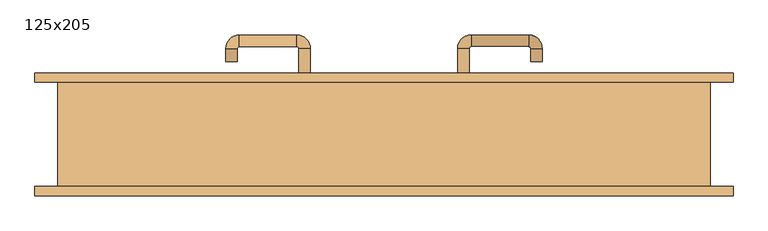
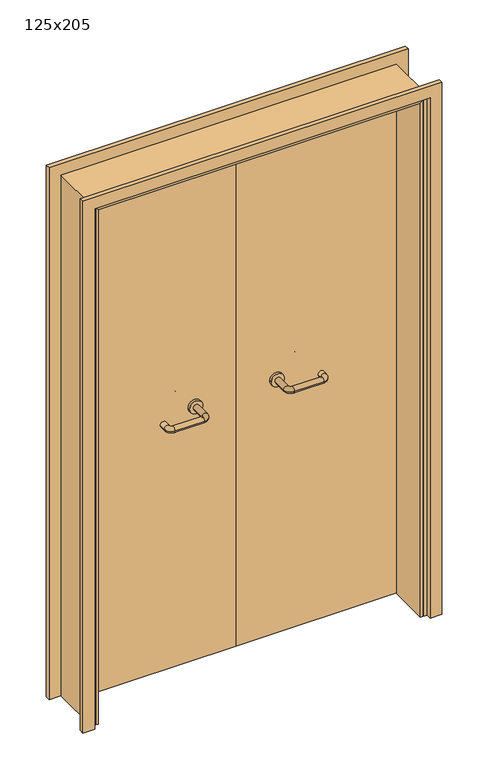
"""IFC4 building model written with IfcOpenShell, lengths in millimetres: door geometry, 125x205."""

import ifcopenshell
import ifcopenshell.guid

model = None  # the IFC model being written
_history = None  # IfcOwnerHistory: only IFC2X3 demands one
_inside = {}  # id of a spatial element -> (the spatial element, [elements in it])
_under = {}  # id of a project, library or spatial element -> (it, [spatial elements below it])
_declared = {}  # id of a project -> (the project, [libraries it declares])
_typed = {}  # id of a type object -> (the type object, [elements of that type])
_made_of = {}  # id of a material, layer set ... -> (it, [elements and type objects made of it])


def new_model(schema):
    """Start an empty IFC model of exactly this schema.

    Asked for "IFC4X3", IfcOpenShell would pick the latest addendum, in which some entities
    have other attributes; the version numbers below select the first issue.
    IFC2X3 requires an IfcOwnerHistory on every rooted entity: one is made here for all.
    """
    global model, _history
    if schema == "IFC4X3":
        model = ifcopenshell.file(schema_version=(4, 3, 0, 0))
    else:
        model = ifcopenshell.file(schema=schema)
    _inside.clear()
    _under.clear()
    _declared.clear()
    _typed.clear()
    _made_of.clear()
    _history = None
    if model.schema == "IFC2X3":
        org = make("IfcOrganization", Name="unknown")
        user = make(
            "IfcPersonAndOrganization",
            ThePerson=make("IfcPerson", FamilyName="unknown"),
            TheOrganization=org,
        )
        app = make(
            "IfcApplication",
            ApplicationDeveloper=org,
            Version="unknown",
            ApplicationFullName="unknown",
            ApplicationIdentifier="unknown",
        )
        _history = make(
            "IfcOwnerHistory",
            OwningUser=user,
            OwningApplication=app,
            ChangeAction="ADDED",
            CreationDate=0,
        )
    return model


def make(cls, **values):
    """One entity of the class cls with the attributes given. An attribute that is None is left unset."""
    return model.create_entity(
        cls, **{name: value for name, value in values.items() if value is not None}
    )


def rooted(cls, **values):
    """An entity with a GlobalId (a new one), such as an element, a storey or a relation."""
    return make(cls, GlobalId=ifcopenshell.guid.new(), OwnerHistory=_history, **values)


def si_unit(unit_type, name, prefix=None):
    """IfcSIUnit, for example si_unit("LENGTHUNIT", "METRE", prefix="MILLI")."""
    return make("IfcSIUnit", UnitType=unit_type, Prefix=prefix, Name=name)


def assignment(units):
    """IfcUnitAssignment: the units of a project."""
    return None if units is None else make("IfcUnitAssignment", Units=units)


def point(xyz):
    """IfcCartesianPoint."""
    return None if xyz is None else make("IfcCartesianPoint", Coordinates=xyz)


def direction(xyz):
    """IfcDirection."""
    return None if xyz is None else make("IfcDirection", DirectionRatios=xyz)


def frame(location, z_axis=None, x_axis=None):
    """IfcAxis2Placement3D, a coordinate frame: its origin and axes. An axis left out is left unset."""
    return make(
        "IfcAxis2Placement3D",
        Location=point(location),
        Axis=direction(z_axis),
        RefDirection=direction(x_axis),
    )


def frame_2d(location, x_axis=None):
    """IfcAxis2Placement2D, a coordinate frame in the plane: its origin and x axis."""
    return make(
        "IfcAxis2Placement2D", Location=point(location), RefDirection=direction(x_axis)
    )


def origin():
    """The frame at (0, 0, 0) with its axes left unset."""
    return frame((0.0, 0.0, 0.0))


def place(relative_to, where):
    """IfcLocalPlacement: puts the frame where relative to a parent placement (None: the world)."""
    return make(
        "IfcLocalPlacement", PlacementRelTo=relative_to, RelativePlacement=where
    )


def context(
    kind, dimensions, precision=None, world=None, true_north=None, identifier=None
):
    """IfcGeometricRepresentationContext, for example the 3D "Model" context."""
    return make(
        "IfcGeometricRepresentationContext",
        ContextIdentifier=identifier,
        ContextType=kind,
        CoordinateSpaceDimension=dimensions,
        Precision=precision,
        WorldCoordinateSystem=world,
        TrueNorth=true_north,
    )


def project(units=None, contexts=None):
    """IfcProject with its units and contexts."""
    return rooted(
        "IfcProject",
        Name="project",
        RepresentationContexts=contexts,
        UnitsInContext=assignment(units),
    )


def spatial(cls, under=None, at=None, **own):
    """A site, building, storey or space (cls), placed at a placement, below another one or the project."""
    s = rooted(cls, ObjectPlacement=at, **own)
    if under is not None:
        _under.setdefault(under.id(), (under, []))[1].append(s)
    return s


def polyline(points):
    """IfcPolyline through the points."""
    return make("IfcPolyline", Points=[point(p) for p in points])


def circle_curve(where, radius):
    """IfcCircle in the frame where."""
    return make("IfcCircle", Position=where, Radius=radius)


def ellipse_curve(where, semi_axis1, semi_axis2):
    """IfcEllipse in the frame where."""
    return make(
        "IfcEllipse", Position=where, SemiAxis1=semi_axis1, SemiAxis2=semi_axis2
    )


def trimmed(basis, trim1, trim2, sense, master):
    """IfcTrimmedCurve: the piece of a basis curve between two trims."""
    return make(
        "IfcTrimmedCurve",
        BasisCurve=basis,
        Trim1=trim1,
        Trim2=trim2,
        SenseAgreement=sense,
        MasterRepresentation=master,
    )


def segment(curve, same_sense, transition):
    """IfcCompositeCurveSegment."""
    return make(
        "IfcCompositeCurveSegment",
        Transition=transition,
        SameSense=same_sense,
        ParentCurve=curve,
    )


def composite_curve(segments, self_intersect=None):
    """IfcCompositeCurve: segments joined end to end."""
    return make("IfcCompositeCurve", Segments=segments, SelfIntersect=self_intersect)


def outline(outer, holes=None, kind="AREA"):
    """IfcArbitraryClosedProfileDef: a profile drawn as a closed curve; with holes, ...WithVoids."""
    if holes is None:
        return make("IfcArbitraryClosedProfileDef", ProfileType=kind, OuterCurve=outer)
    return make(
        "IfcArbitraryProfileDefWithVoids",
        ProfileType=kind,
        OuterCurve=outer,
        InnerCurves=holes,
    )


def extrude(swept, where, along, depth):
    """IfcExtrudedAreaSolid: the profile swept, set in the frame where, extruded along a direction by depth."""
    return make(
        "IfcExtrudedAreaSolid",
        SweptArea=swept,
        Position=where,
        ExtrudedDirection=direction(along),
        Depth=depth,
    )


def faces_of(points, faces, orient=None, outer=None):
    """IfcFace entities. A face is a list of loops; a loop is a list of indices into points, from 0.

    orient and outer hold one flag for each loop. By default every Orientation is true, the
    first loop of a face is its IfcFaceOuterBound and the others are IfcFaceBound.
    """
    made = []
    for i, loops in enumerate(faces):
        bounds = []
        for j, loop in enumerate(loops):
            is_outer = j == 0 if outer is None else outer[i][j]
            bounds.append(
                make(
                    "IfcFaceOuterBound" if is_outer else "IfcFaceBound",
                    Bound=make("IfcPolyLoop", Polygon=[points[k] for k in loop]),
                    Orientation=True if orient is None else orient[i][j],
                )
            )
        made.append(make("IfcFace", Bounds=bounds))
    return made


def faceted_brep(points, faces, orient=None, outer=None, voids=None):
    """IfcFacetedBrep: a solid bounded by flat faces; with voids (closed shells), ...WithVoids."""
    shared = [point(p) for p in points]
    hull = make("IfcClosedShell", CfsFaces=faces_of(shared, faces, orient, outer))
    if voids is None:
        return make("IfcFacetedBrep", Outer=hull)
    return make(
        "IfcFacetedBrepWithVoids",
        Outer=hull,
        Voids=[
            make(cls, CfsFaces=faces_of(shared, fs, o, b)) for cls, fs, o, b in voids
        ],
    )


def shape(context_of_items, identifier, shape_type, items):
    """IfcShapeRepresentation: the items that make up one representation, for example the "Body"."""
    return make(
        "IfcShapeRepresentation",
        ContextOfItems=context_of_items,
        RepresentationIdentifier=identifier,
        RepresentationType=shape_type,
        Items=items,
    )


def source(mapping_origin, context_of_items, identifier, shape_type, items):
    """IfcRepresentationMap: a shape defined once, which mapped items show again and again."""
    return make(
        "IfcRepresentationMap",
        MappingOrigin=mapping_origin,
        MappedRepresentation=shape(context_of_items, identifier, shape_type, items),
    )


def transform(
    local_origin,
    x_axis=None,
    y_axis=None,
    z_axis=None,
    scale=None,
    scale2=None,
    scale3=None,
    uniform=True,
):
    """IfcCartesianTransformationOperator3D, or its non-uniform kind. x_axis, y_axis, z_axis: its Axis1, 2, 3."""
    if uniform:
        return make(
            "IfcCartesianTransformationOperator3D",
            Axis1=direction(x_axis),
            Axis2=direction(y_axis),
            LocalOrigin=point(local_origin),
            Scale=scale,
            Axis3=direction(z_axis),
        )
    return make(
        "IfcCartesianTransformationOperator3DnonUniform",
        Axis1=direction(x_axis),
        Axis2=direction(y_axis),
        LocalOrigin=point(local_origin),
        Scale=scale,
        Axis3=direction(z_axis),
        Scale2=scale2,
        Scale3=scale3,
    )


def mapped(mapping_source, mapping_target):
    """IfcMappedItem: shows the shape of a source again, moved by a transform."""
    return make(
        "IfcMappedItem", MappingSource=mapping_source, MappingTarget=mapping_target
    )


def made_of(thing, what):
    """Note that an element or type object is made of a material, layer set ...; save() writes the relation."""
    if what is not None:
        _made_of.setdefault(what.id(), (what, []))[1].append(thing)
    return thing


def element(
    cls,
    number,
    at=None,
    inside=None,
    cuts=None,
    type_object=None,
    material=None,
    context=None,
    identifier="Body",
    shape_type=None,
    held_by="IfcProductDefinitionShape",
    body=None,
    shapes=None,
    **own,
):
    """One element of the class cls, such as IfcWall. Its Tag is "e" and its number.

    at: its placement. inside: the storey or other place that contains it. cuts: it is an
    opening in that element (IfcRelVoidsElement). A single representation is given by context,
    identifier, shape_type and body (its items); several are given by shapes. held_by: the class
    of the entity that holds the representations. save() writes the other relations.
    """
    e = rooted(cls, Tag="e%d" % number, ObjectPlacement=at, **own)
    if body is not None:
        shapes = [shape(context, identifier, shape_type, body)]
    if shapes is not None:
        e.Representation = make(held_by, Representations=shapes)
    if inside is not None:
        _inside.setdefault(inside.id(), (inside, []))[1].append(e)
    if cuts is not None:
        rooted(
            "IfcRelVoidsElement", RelatingBuildingElement=cuts, RelatedOpeningElement=e
        )
    if type_object is not None:
        _typed.setdefault(type_object.id(), (type_object, []))[1].append(e)
    return made_of(e, material)


def aggregate(whole, parts):
    """IfcRelAggregates: a whole, such as a stair, and the parts it consists of."""
    return rooted("IfcRelAggregates", RelatingObject=whole, RelatedObjects=parts)


def save(model, path):
    """Write the relations noted so far, then the file.

    IfcRelAggregates (storeys below a building ...), IfcRelContainedInSpatialStructure (elements
    in a storey), IfcRelDefinesByType, IfcRelAssociatesMaterial and IfcRelDeclares: one each for
    every whole, place, type object, material and project.
    """
    for whole, parts in _under.values():
        aggregate(whole, parts)
    for where, things in _inside.values():
        rooted(
            "IfcRelContainedInSpatialStructure",
            RelatedElements=things,
            RelatingStructure=where,
        )
    for kind, things in _typed.values():
        rooted("IfcRelDefinesByType", RelatedObjects=things, RelatingType=kind)
    for what, things in _made_of.values():
        rooted("IfcRelAssociatesMaterial", RelatedObjects=things, RelatingMaterial=what)
    for by, libraries in _declared.values():
        rooted("IfcRelDeclares", RelatingContext=by, RelatedDefinitions=libraries)
    model.write(path)


def plane_surface(at):
    """IfcPlane: the flat surface through the origin of the frame at, square to its z axis."""
    return make("IfcPlane", Position=at)


def cylinder_surface(at, radius):
    """IfcCylindricalSurface: all points at the distance radius from the z axis of the frame at."""
    return make("IfcCylindricalSurface", Position=at, Radius=radius)


def revolved_surface(curve, axis_point, axis_direction):
    """IfcSurfaceOfRevolution: the curve turned about the line through axis_point along axis_direction."""
    return make(
        "IfcSurfaceOfRevolution",
        SweptCurve=make("IfcArbitraryOpenProfileDef", ProfileType="CURVE", Curve=curve),
        AxisPosition=make("IfcAxis1Placement", Location=point(axis_point), Axis=direction(axis_direction)),
    )


def advanced_brep(points, edges, surfaces, faces):
    """IfcAdvancedBrep: a solid bounded by faces that lie on surfaces and meet in shared edges.

    An edge is (start, end): straight between two places in points (the first is 0);
    or (start, end, curve); or (start, end, curve, False) where it runs against its curve.
    A face is (place in surfaces, loops), or (place, loops, False) where it looks against
    its surface's normal. A loop lists edges by number (the first is 1), with a minus sign
    where the edge is run from its end to its start. The first loop is the outer one.
    """
    corners = [point(p) for p in points]
    vertices = [make("IfcVertexPoint", VertexGeometry=c) for c in corners]
    made = []
    for start, end, *more in edges:
        made.append(
            make(
                "IfcEdgeCurve",
                EdgeStart=vertices[start],
                EdgeEnd=vertices[end],
                EdgeGeometry=more[0] if more else make("IfcPolyline", Points=[corners[start], corners[end]]),
                SameSense=more[1] if len(more) > 1 else True,
            )
        )
    hull = []
    for where, loops, *sense in faces:
        bounds = []
        for j, loop in enumerate(loops):
            ring = [make("IfcOrientedEdge", EdgeElement=made[abs(k) - 1], Orientation=k > 0) for k in loop]
            bounds.append(
                make(
                    "IfcFaceOuterBound" if j == 0 else "IfcFaceBound",
                    Bound=make("IfcEdgeLoop", EdgeList=ring),
                    Orientation=True,
                )
            )
        hull.append(make("IfcAdvancedFace", Bounds=bounds, FaceSurface=surfaces[where], SameSense=sense[0] if sense else True))
    return make("IfcAdvancedBrep", Outer=make("IfcClosedShell", CfsFaces=hull))


def door_125x205_fe8683f0(model_context):
    return source(origin(), model_context, "Body", "SolidModel", [
        faceted_brep([(-600.0, 53.0, 0.0), (-600.0, -99.0, 0.0), (-610.0, -99.0, 0.0), (-610.0, 53.0, 0.0), (-600.0, 53.0, 2025.0), (-600.0, -99.0, 2025.0), (-610.0, -99.0, 2035.0), (-610.0, 53.0, 2035.0), (600.0, 53.0, 0.0), (610.0, 53.0, 0.0), (610.0, -99.0, 0.0), (600.0, -99.0, 0.0), (600.0, 53.0, 2025.0), (610.0, 53.0, 2035.0), (610.0, -99.0, 2035.0), (600.0, -99.0, 2025.0)], [[[0, 1, 2, 3]], [[1, 0, 4, 5]], [[2, 1, 5, 6]], [[3, 2, 6, 7]], [[0, 3, 7, 4]], [[8, 9, 10, 11]], [[12, 13, 9, 8]], [[13, 14, 10, 9]], [[14, 15, 11, 10]], [[15, 12, 8, 11]], [[5, 4, 12, 15]], [[6, 5, 15, 14]], [[7, 6, 14, 13]], [[4, 7, 13, 12]]]),
        extrude(outline(polyline([(2094.0, 669.0), (2094.0, -669.0), (0.0, -669.0), (0.0, -625.0), (2050.0, -625.0), (2050.0, 625.0), (0.0, 625.0), (0.0, 669.0), (2094.0, 669.0)])), frame((0.0, 100.0, 0.0), z_axis=(0.0, 1.0, 0.0), x_axis=(0.0, 0.0, 1.0)), (0.0, 0.0, 1.0), 18.0),
        extrude(outline(polyline([(2094.0, -669.0), (0.0, -669.0), (0.0, -625.0), (2050.0, -625.0), (2050.0, 625.0), (0.0, 625.0), (0.0, 669.0), (2094.0, 669.0), (2094.0, -669.0)])), frame((0.0, -118.0, 0.0), z_axis=(0.0, 1.0, 0.0), x_axis=(0.0, 0.0, 1.0)), (0.0, 0.0, 1.0), 18.0),
        extrude(outline(polyline([(2050.0, -625.0), (0.0, -625.0), (0.0, -610.0), (2035.0, -610.0), (2035.0, 610.0), (0.0, 610.0), (0.0, 625.0), (2050.0, 625.0), (2050.0, -625.0)])), frame((0.0, -99.0, 0.0), z_axis=(0.0, 1.0, 0.0), x_axis=(0.0, 0.0, 1.0)), (0.0, 0.0, 1.0), 199.0),
        advanced_brep(
        [(140.99898, 46.0, 1003.0), (162.99898, 46.0, 1003.0), (140.99898, -9.3525369, 1003.0), (162.99898, -9.3525369, 1003.0), (166.99898, -13.3525369, 1003.0), (166.99898, -35.3525369, 1003.0), (276.99898, -35.3525369, 1003.0), (276.99898, -13.3525369, 1003.0), (280.99898, -9.3525369, 1003.0), (302.99898, -9.3525369, 1003.0), (302.99898, 8.0, 1003.0), (280.99898, 8.0, 1003.0)],
        [
            (0, 1, circle_curve(frame((151.99898, 46.0, 1003.0), z_axis=(0.0, 1.0, 0.0), x_axis=(1.0, 0.0, 0.0)), 11.0)),
            (1, 0, circle_curve(frame((151.99898, 46.0, 1003.0), z_axis=(0.0, 1.0, 0.0), x_axis=(1.0, 0.0, 0.0)), 11.0)),
            (0, 2),
            (2, 3, circle_curve(frame((151.99898, -9.3525369, 1003.0), z_axis=(0.0, 1.0, 0.0), x_axis=(1.0, 0.0, 0.0)), 11.0)),
            (3, 1),
            (3, 2, circle_curve(frame((151.99898, -9.3525369, 1003.0), z_axis=(0.0, 1.0, 0.0), x_axis=(1.0, 0.0, 0.0)), 11.0)),
            (4, 3, circle_curve(frame((166.99898, -9.3525369, 1003.0), z_axis=(0.0, 0.0, -1.0), x_axis=(-1.0, 0.0, 0.0)), 4.0)),
            (2, 5, circle_curve(frame((166.99898, -9.3525369, 1003.0), z_axis=(0.0, 0.0, 1.0), x_axis=(-1.0, 0.0, 0.0)), 26.0)),
            (5, 4, circle_curve(frame((166.99898, -24.3525369, 1003.0), z_axis=(-1.0, 0.0, 0.0), x_axis=(0.0, 1.0, 0.0)), 11.0)),
            (4, 5, circle_curve(frame((166.99898, -24.3525369, 1003.0), z_axis=(-1.0, 0.0, 0.0), x_axis=(0.0, 1.0, 0.0)), 11.0)),
            (5, 6),
            (6, 7, circle_curve(frame((276.99898, -24.3525369, 1003.0), z_axis=(-1.0, 0.0, 0.0), x_axis=(0.0, 1.0, 0.0)), 11.0)),
            (7, 4),
            (7, 6, circle_curve(frame((276.99898, -24.3525369, 1003.0), z_axis=(-1.0, 0.0, 0.0), x_axis=(0.0, 1.0, 0.0)), 11.0)),
            (8, 7, circle_curve(frame((276.99898, -9.3525369, 1003.0), z_axis=(0.0, 0.0, -1.0), x_axis=(0.0, -1.0, 0.0)), 4.0)),
            (6, 9, circle_curve(frame((276.99898, -9.3525369, 1003.0), z_axis=(0.0, 0.0, 1.0), x_axis=(0.0, -1.0, 0.0)), 26.0)),
            (9, 8, circle_curve(frame((291.99898, -9.3525369, 1003.0), z_axis=(0.0, -1.0, 0.0), x_axis=(-1.0, 0.0, 0.0)), 11.0)),
            (8, 9, circle_curve(frame((291.99898, -9.3525369, 1003.0), z_axis=(0.0, -1.0, 0.0), x_axis=(-1.0, 0.0, 0.0)), 11.0)),
            (10, 11, circle_curve(frame((291.99898, 8.0, 1003.0), z_axis=(0.0, 1.0, 0.0), x_axis=(-1.0, 0.0, 0.0)), 11.0)),
            (11, 10, circle_curve(frame((291.99898, 8.0, 1003.0), z_axis=(0.0, 1.0, 0.0), x_axis=(-1.0, 0.0, 0.0)), 11.0)),
            (9, 10),
            (11, 8),
        ],
        [
            plane_surface(frame((140.99898, 46.0, 1003.0), z_axis=(0.0, 1.0, 0.0), x_axis=(0.0, 0.0, -1.0))),
            cylinder_surface(frame((151.99898, 46.0, 1003.0), z_axis=(0.0, 1.0, 0.0), x_axis=(1.0, 0.0, 0.0)), 11.0),
            revolved_surface(trimmed(ellipse_curve(frame((151.99898, -9.3525369, 1003.0), z_axis=(0.0, 1.0, 0.0), x_axis=(1.0, 0.0, 0.0)), 11.0, 11.0), [point((140.99898, -9.3525369, 1003.0))], [point((162.99898, -9.3525369, 1003.0))], True, "CARTESIAN"), (166.99898, -9.3525369, 1003.0), (0.0, 0.0, 1.0)),
            revolved_surface(trimmed(ellipse_curve(frame((151.99898, -9.3525369, 1003.0), z_axis=(0.0, 1.0, 0.0), x_axis=(1.0, 0.0, 0.0)), 11.0, 11.0), [point((162.99898, -9.3525369, 1003.0))], [point((140.99898, -9.3525369, 1003.0))], True, "CARTESIAN"), (166.99898, -9.3525369, 1003.0), (0.0, 0.0, 1.0)),
            cylinder_surface(frame((166.99898, -24.3525369, 1003.0), z_axis=(-1.0, 0.0, 0.0), x_axis=(0.0, 1.0, 0.0)), 11.0),
            revolved_surface(trimmed(ellipse_curve(frame((276.99898, -24.3525369, 1003.0), z_axis=(-1.0, 0.0, 0.0), x_axis=(0.0, 1.0, 0.0)), 11.0, 11.0), [point((276.99898, -35.3525369, 1003.0))], [point((276.99898, -13.3525369, 1003.0))], True, "CARTESIAN"), (276.99898, -9.3525369, 1003.0), (0.0, 0.0, 1.0)),
            revolved_surface(trimmed(ellipse_curve(frame((276.99898, -24.3525369, 1003.0), z_axis=(-1.0, 0.0, 0.0), x_axis=(0.0, 1.0, 0.0)), 11.0, 11.0), [point((276.99898, -13.3525369, 1003.0))], [point((276.99898, -35.3525369, 1003.0))], True, "CARTESIAN"), (276.99898, -9.3525369, 1003.0), (0.0, 0.0, 1.0)),
            plane_surface(frame((280.99898, 8.0, 1003.0), z_axis=(0.0, 1.0, 0.0), x_axis=(0.0, 0.0, 1.0))),
            cylinder_surface(frame((291.99898, -9.3525369, 1003.0), z_axis=(0.0, -1.0, 0.0), x_axis=(-1.0, 0.0, 0.0)), 11.0),
        ],
        [
            (0, [[1, 2]]),
            (1, [[-1, 3, 4, 5]]),
            (1, [[-2, -5, 6, -3]]),
            (2, [[7, -4, 8, 9]]),
            (3, [[-8, -6, -7, 10]]),
            (4, [[-9, 11, 12, 13]]),
            (4, [[-10, -13, 14, -11]]),
            (5, [[15, -12, 16, 17]]),
            (6, [[-16, -14, -15, 18]]),
            (7, [[19, 20]]),
            (8, [[-17, 21, -20, 22]]),
            (8, [[-18, -22, -19, -21]]),
        ],
    ),
        extrude(outline(composite_curve([segment(trimmed(circle_curve(frame_2d((1003.0, 151.99898)), 25.0), [point((1003.0, 126.99898))], [point((1003.0, 176.99898))], False, "CARTESIAN"), True, "CONTINUOUS"), segment(trimmed(circle_curve(frame_2d((1003.0, 151.99898)), 25.0), [point((1003.0, 176.99898))], [point((1003.0, 126.99898))], False, "CARTESIAN"), True, "CONTINUOUS")], self_intersect=False)), frame((0.0, 46.0, 0.0), z_axis=(0.0, 1.0, 0.0), x_axis=(0.0, 0.0, 1.0)), (0.0, 0.0, 1.0), 10.0),
        advanced_brep(
        [(162.99898, 110.0, 1003.0), (140.99898, 110.0, 1003.0), (162.99898, 165.0, 1003.0), (140.99898, 165.0, 1003.0), (166.99898, 191.0, 1003.0), (166.99898, 169.0, 1003.0), (276.99898, 169.0, 1003.0), (276.99898, 191.0, 1003.0), (302.99898, 165.0, 1003.0), (280.99898, 165.0, 1003.0), (280.99898, 140.0, 1003.0), (302.99898, 140.0, 1003.0)],
        [
            (0, 1, circle_curve(frame((151.99898, 110.0, 1003.0), z_axis=(0.0, -1.0, 0.0), x_axis=(-1.0, 0.0, 0.0)), 11.0)),
            (1, 0, circle_curve(frame((151.99898, 110.0, 1003.0), z_axis=(0.0, -1.0, 0.0), x_axis=(-1.0, 0.0, 0.0)), 11.0)),
            (0, 2),
            (2, 3, circle_curve(frame((151.99898, 165.0, 1003.0), z_axis=(0.0, -1.0, 0.0), x_axis=(-1.0, 0.0, 0.0)), 11.0)),
            (3, 1),
            (3, 2, circle_curve(frame((151.99898, 165.0, 1003.0), z_axis=(0.0, -1.0, 0.0), x_axis=(-1.0, 0.0, 0.0)), 11.0)),
            (4, 3, circle_curve(frame((166.99898, 165.0, 1003.0), z_axis=(0.0, 0.0, 1.0), x_axis=(-1.0, 0.0, 0.0)), 26.0)),
            (2, 5, circle_curve(frame((166.99898, 165.0, 1003.0), z_axis=(0.0, 0.0, -1.0), x_axis=(-1.0, 0.0, 0.0)), 4.0)),
            (5, 4, circle_curve(frame((166.99898, 180.0, 1003.0), z_axis=(-1.0, 0.0, 0.0), x_axis=(0.0, 1.0, 0.0)), 11.0)),
            (4, 5, circle_curve(frame((166.99898, 180.0, 1003.0), z_axis=(-1.0, 0.0, 0.0), x_axis=(0.0, 1.0, 0.0)), 11.0)),
            (5, 6),
            (6, 7, circle_curve(frame((276.99898, 180.0, 1003.0), z_axis=(-1.0, 0.0, 0.0), x_axis=(0.0, 1.0, 0.0)), 11.0)),
            (7, 4),
            (7, 6, circle_curve(frame((276.99898, 180.0, 1003.0), z_axis=(-1.0, 0.0, 0.0), x_axis=(0.0, 1.0, 0.0)), 11.0)),
            (8, 7, circle_curve(frame((276.99898, 165.0, 1003.0), z_axis=(0.0, 0.0, 1.0), x_axis=(0.0, 1.0, 0.0)), 26.0)),
            (6, 9, circle_curve(frame((276.99898, 165.0, 1003.0), z_axis=(0.0, 0.0, -1.0), x_axis=(0.0, 1.0, 0.0)), 4.0)),
            (9, 8, circle_curve(frame((291.99898, 165.0, 1003.0), z_axis=(0.0, 1.0, 0.0), x_axis=(1.0, 0.0, 0.0)), 11.0)),
            (8, 9, circle_curve(frame((291.99898, 165.0, 1003.0), z_axis=(0.0, 1.0, 0.0), x_axis=(1.0, 0.0, 0.0)), 11.0)),
            (10, 11, circle_curve(frame((291.99898, 140.0, 1003.0), z_axis=(0.0, -1.0, 0.0), x_axis=(1.0, 0.0, 0.0)), 11.0)),
            (11, 10, circle_curve(frame((291.99898, 140.0, 1003.0), z_axis=(0.0, -1.0, 0.0), x_axis=(1.0, 0.0, 0.0)), 11.0)),
            (9, 10),
            (11, 8),
        ],
        [
            plane_surface(frame((140.99898, 110.0, 1003.0), z_axis=(0.0, -1.0, 0.0), x_axis=(0.0, 0.0, 1.0))),
            cylinder_surface(frame((151.99898, 110.0, 1003.0), z_axis=(0.0, -1.0, 0.0), x_axis=(-1.0, 0.0, 0.0)), 11.0),
            revolved_surface(trimmed(ellipse_curve(frame((151.99898, 165.0, 1003.0), z_axis=(0.0, -1.0, 0.0), x_axis=(-1.0, 0.0, 0.0)), 11.0, 11.0), [point((162.99898, 165.0, 1003.0))], [point((140.99898, 165.0, 1003.0))], True, "CARTESIAN"), (166.99898, 165.0, 1003.0), (0.0, 0.0, -1.0)),
            revolved_surface(trimmed(ellipse_curve(frame((151.99898, 165.0, 1003.0), z_axis=(0.0, -1.0, 0.0), x_axis=(-1.0, 0.0, 0.0)), 11.0, 11.0), [point((140.99898, 165.0, 1003.0))], [point((162.99898, 165.0, 1003.0))], True, "CARTESIAN"), (166.99898, 165.0, 1003.0), (0.0, 0.0, -1.0)),
            cylinder_surface(frame((166.99898, 180.0, 1003.0), z_axis=(-1.0, 0.0, 0.0), x_axis=(0.0, 1.0, 0.0)), 11.0),
            revolved_surface(trimmed(ellipse_curve(frame((276.99898, 180.0, 1003.0), z_axis=(-1.0, 0.0, 0.0), x_axis=(0.0, 1.0, 0.0)), 11.0, 11.0), [point((276.99898, 169.0, 1003.0))], [point((276.99898, 191.0, 1003.0))], True, "CARTESIAN"), (276.99898, 165.0, 1003.0), (0.0, 0.0, -1.0)),
            revolved_surface(trimmed(ellipse_curve(frame((276.99898, 180.0, 1003.0), z_axis=(-1.0, 0.0, 0.0), x_axis=(0.0, 1.0, 0.0)), 11.0, 11.0), [point((276.99898, 191.0, 1003.0))], [point((276.99898, 169.0, 1003.0))], True, "CARTESIAN"), (276.99898, 165.0, 1003.0), (0.0, 0.0, -1.0)),
            plane_surface(frame((280.99898, 140.0, 1003.0), z_axis=(0.0, -1.0, 0.0), x_axis=(0.0, 0.0, -1.0))),
            cylinder_surface(frame((291.99898, 165.0, 1003.0), z_axis=(0.0, 1.0, 0.0), x_axis=(1.0, 0.0, 0.0)), 11.0),
        ],
        [
            (0, [[1, 2]]),
            (1, [[-1, 3, 4, 5]]),
            (1, [[-2, -5, 6, -3]]),
            (2, [[7, -4, 8, 9]]),
            (3, [[-8, -6, -7, 10]]),
            (4, [[-9, 11, 12, 13]]),
            (4, [[-10, -13, 14, -11]]),
            (5, [[15, -12, 16, 17]]),
            (6, [[-16, -14, -15, 18]]),
            (7, [[19, 20]]),
            (8, [[-17, 21, -20, 22]]),
            (8, [[-18, -22, -19, -21]]),
        ],
    ),
        extrude(outline(composite_curve([segment(trimmed(circle_curve(frame_2d((1003.0, 151.99898)), 25.0), [point((1003.0, 176.99898))], [point((1003.0, 126.99898))], False, "CARTESIAN"), True, "CONTINUOUS"), segment(trimmed(circle_curve(frame_2d((1003.0, 151.99898)), 25.0), [point((1003.0, 126.99898))], [point((1003.0, 176.99898))], False, "CARTESIAN"), True, "CONTINUOUS")], self_intersect=False)), frame((0.0, 100.0, 0.0), z_axis=(0.0, 1.0, 0.0), x_axis=(0.0, 0.0, 1.0)), (0.0, 0.0, 1.0), 10.0),
        advanced_brep(
        [(-162.99898, 45.6886121, 1003.0), (-140.99898, 45.6886121, 1003.0), (-162.99898, -9.7220447, 1003.0), (-140.99898, -9.7220447, 1003.0), (-166.99898, -35.7220447, 1003.0), (-166.99898, -13.7220447, 1003.0), (-276.99898, -13.7220447, 1003.0), (-276.99898, -35.7220447, 1003.0), (-302.99898, -9.7220447, 1003.0), (-280.99898, -9.7220447, 1003.0), (-280.99898, 15.2779553, 1003.0), (-302.99898, 15.2779553, 1003.0)],
        [
            (0, 1, circle_curve(frame((-151.99898, 45.6886121, 1003.0), z_axis=(0.0, 1.0, 0.0), x_axis=(1.0, 0.0, 0.0)), 11.0)),
            (1, 0, circle_curve(frame((-151.99898, 45.6886121, 1003.0), z_axis=(0.0, 1.0, 0.0), x_axis=(1.0, 0.0, 0.0)), 11.0)),
            (0, 2),
            (2, 3, circle_curve(frame((-151.99898, -9.7220447, 1003.0), z_axis=(0.0, 1.0, 0.0), x_axis=(1.0, 0.0, 0.0)), 11.0)),
            (3, 1),
            (3, 2, circle_curve(frame((-151.99898, -9.7220447, 1003.0), z_axis=(0.0, 1.0, 0.0), x_axis=(1.0, 0.0, 0.0)), 11.0)),
            (4, 3, circle_curve(frame((-166.99898, -9.7220447, 1003.0), z_axis=(0.0, 0.0, 1.0), x_axis=(1.0, 0.0, 0.0)), 26.0)),
            (2, 5, circle_curve(frame((-166.99898, -9.7220447, 1003.0), z_axis=(0.0, 0.0, -1.0), x_axis=(1.0, 0.0, 0.0)), 4.0)),
            (5, 4, circle_curve(frame((-166.99898, -24.7220447, 1003.0), z_axis=(1.0, 0.0, 0.0), x_axis=(0.0, -1.0, 0.0)), 11.0)),
            (4, 5, circle_curve(frame((-166.99898, -24.7220447, 1003.0), z_axis=(1.0, 0.0, 0.0), x_axis=(0.0, -1.0, 0.0)), 11.0)),
            (5, 6),
            (6, 7, circle_curve(frame((-276.99898, -24.7220447, 1003.0), z_axis=(1.0, 0.0, 0.0), x_axis=(0.0, -1.0, 0.0)), 11.0)),
            (7, 4),
            (7, 6, circle_curve(frame((-276.99898, -24.7220447, 1003.0), z_axis=(1.0, 0.0, 0.0), x_axis=(0.0, -1.0, 0.0)), 11.0)),
            (8, 7, circle_curve(frame((-276.99898, -9.7220447, 1003.0), z_axis=(0.0, 0.0, 1.0), x_axis=(0.0, -1.0, 0.0)), 26.0)),
            (6, 9, circle_curve(frame((-276.99898, -9.7220447, 1003.0), z_axis=(0.0, 0.0, -1.0), x_axis=(0.0, -1.0, 0.0)), 4.0)),
            (9, 8, circle_curve(frame((-291.99898, -9.7220447, 1003.0), z_axis=(0.0, -1.0, 0.0), x_axis=(-1.0, 0.0, 0.0)), 11.0)),
            (8, 9, circle_curve(frame((-291.99898, -9.7220447, 1003.0), z_axis=(0.0, -1.0, 0.0), x_axis=(-1.0, 0.0, 0.0)), 11.0)),
            (10, 11, circle_curve(frame((-291.99898, 15.2779553, 1003.0), z_axis=(0.0, 1.0, 0.0), x_axis=(-1.0, 0.0, 0.0)), 11.0)),
            (11, 10, circle_curve(frame((-291.99898, 15.2779553, 1003.0), z_axis=(0.0, 1.0, 0.0), x_axis=(-1.0, 0.0, 0.0)), 11.0)),
            (9, 10),
            (11, 8),
        ],
        [
            plane_surface(frame((-162.99898, 45.6886121, 1003.0), z_axis=(0.0, 1.0, 0.0), x_axis=(0.0, 0.0, -1.0))),
            cylinder_surface(frame((-151.99898, 45.6886121, 1003.0), z_axis=(0.0, 1.0, 0.0), x_axis=(1.0, 0.0, 0.0)), 11.0),
            revolved_surface(trimmed(ellipse_curve(frame((-151.99898, -9.7220447, 1003.0), z_axis=(0.0, 1.0, 0.0), x_axis=(1.0, 0.0, 0.0)), 11.0, 11.0), [point((-162.99898, -9.7220447, 1003.0))], [point((-140.99898, -9.7220447, 1003.0))], True, "CARTESIAN"), (-166.99898, -9.7220447, 1003.0), (0.0, 0.0, -1.0)),
            revolved_surface(trimmed(ellipse_curve(frame((-151.99898, -9.7220447, 1003.0), z_axis=(0.0, 1.0, 0.0), x_axis=(1.0, 0.0, 0.0)), 11.0, 11.0), [point((-140.99898, -9.7220447, 1003.0))], [point((-162.99898, -9.7220447, 1003.0))], True, "CARTESIAN"), (-166.99898, -9.7220447, 1003.0), (0.0, 0.0, -1.0)),
            cylinder_surface(frame((-166.99898, -24.7220447, 1003.0), z_axis=(1.0, 0.0, 0.0), x_axis=(0.0, -1.0, 0.0)), 11.0),
            revolved_surface(trimmed(ellipse_curve(frame((-276.99898, -24.7220447, 1003.0), z_axis=(1.0, 0.0, 0.0), x_axis=(0.0, -1.0, 0.0)), 11.0, 11.0), [point((-276.99898, -13.7220447, 1003.0))], [point((-276.99898, -35.7220447, 1003.0))], True, "CARTESIAN"), (-276.99898, -9.7220447, 1003.0), (0.0, 0.0, -1.0)),
            revolved_surface(trimmed(ellipse_curve(frame((-276.99898, -24.7220447, 1003.0), z_axis=(1.0, 0.0, 0.0), x_axis=(0.0, -1.0, 0.0)), 11.0, 11.0), [point((-276.99898, -35.7220447, 1003.0))], [point((-276.99898, -13.7220447, 1003.0))], True, "CARTESIAN"), (-276.99898, -9.7220447, 1003.0), (0.0, 0.0, -1.0)),
            plane_surface(frame((-302.99898, 15.2779553, 1003.0), z_axis=(0.0, 1.0, 0.0), x_axis=(0.0, 0.0, 1.0))),
            cylinder_surface(frame((-291.99898, -9.7220447, 1003.0), z_axis=(0.0, -1.0, 0.0), x_axis=(-1.0, 0.0, 0.0)), 11.0),
        ],
        [
            (0, [[1, 2]]),
            (1, [[-1, 3, 4, 5]]),
            (1, [[-2, -5, 6, -3]]),
            (2, [[7, -4, 8, 9]]),
            (3, [[-8, -6, -7, 10]]),
            (4, [[-9, 11, 12, 13]]),
            (4, [[-10, -13, 14, -11]]),
            (5, [[15, -12, 16, 17]]),
            (6, [[-16, -14, -15, 18]]),
            (7, [[19, 20]]),
            (8, [[-17, 21, -20, 22]]),
            (8, [[-18, -22, -19, -21]]),
        ],
    ),
        extrude(outline(composite_curve([segment(trimmed(circle_curve(frame_2d((1003.0, -151.99898)), 25.0), [point((1003.0, -176.99898))], [point((1003.0, -126.99898))], False, "CARTESIAN"), True, "CONTINUOUS"), segment(trimmed(circle_curve(frame_2d((1003.0, -151.99898)), 25.0), [point((1003.0, -126.99898))], [point((1003.0, -176.99898))], False, "CARTESIAN"), True, "CONTINUOUS")], self_intersect=False)), frame((0.0, 45.6886121, 0.0), z_axis=(0.0, 1.0, 0.0), x_axis=(0.0, 0.0, 1.0)), (0.0, 0.0, 1.0), 10.3113879),
        advanced_brep(
        [(-140.99898, 109.5143417, 1003.0), (-162.99898, 109.5143417, 1003.0), (-140.99898, 164.6104656, 1003.0), (-162.99898, 164.6104656, 1003.0), (-166.99898, 168.6104656, 1003.0), (-166.99898, 190.6104656, 1003.0), (-276.99898, 190.6104656, 1003.0), (-276.99898, 168.6104656, 1003.0), (-280.99898, 164.6104656, 1003.0), (-302.99898, 164.6104656, 1003.0), (-302.99898, 139.6104656, 1003.0), (-280.99898, 139.6104656, 1003.0)],
        [
            (0, 1, circle_curve(frame((-151.99898, 109.5143417, 1003.0), z_axis=(0.0, -1.0, 0.0), x_axis=(-1.0, 0.0, 0.0)), 11.0)),
            (1, 0, circle_curve(frame((-151.99898, 109.5143417, 1003.0), z_axis=(0.0, -1.0, 0.0), x_axis=(-1.0, 0.0, 0.0)), 11.0)),
            (0, 2),
            (2, 3, circle_curve(frame((-151.99898, 164.6104656, 1003.0), z_axis=(0.0, -1.0, 0.0), x_axis=(-1.0, 0.0, 0.0)), 11.0)),
            (3, 1),
            (3, 2, circle_curve(frame((-151.99898, 164.6104656, 1003.0), z_axis=(0.0, -1.0, 0.0), x_axis=(-1.0, 0.0, 0.0)), 11.0)),
            (4, 3, circle_curve(frame((-166.99898, 164.6104656, 1003.0), z_axis=(0.0, 0.0, -1.0), x_axis=(1.0, 0.0, 0.0)), 4.0)),
            (2, 5, circle_curve(frame((-166.99898, 164.6104656, 1003.0), z_axis=(0.0, 0.0, 1.0), x_axis=(1.0, 0.0, 0.0)), 26.0)),
            (5, 4, circle_curve(frame((-166.99898, 179.6104656, 1003.0), z_axis=(1.0, 0.0, 0.0), x_axis=(0.0, -1.0, 0.0)), 11.0)),
            (4, 5, circle_curve(frame((-166.99898, 179.6104656, 1003.0), z_axis=(1.0, 0.0, 0.0), x_axis=(0.0, -1.0, 0.0)), 11.0)),
            (5, 6),
            (6, 7, circle_curve(frame((-276.99898, 179.6104656, 1003.0), z_axis=(1.0, 0.0, 0.0), x_axis=(0.0, -1.0, 0.0)), 11.0)),
            (7, 4),
            (7, 6, circle_curve(frame((-276.99898, 179.6104656, 1003.0), z_axis=(1.0, 0.0, 0.0), x_axis=(0.0, -1.0, 0.0)), 11.0)),
            (8, 7, circle_curve(frame((-276.99898, 164.6104656, 1003.0), z_axis=(0.0, 0.0, -1.0), x_axis=(0.0, 1.0, 0.0)), 4.0)),
            (6, 9, circle_curve(frame((-276.99898, 164.6104656, 1003.0), z_axis=(0.0, 0.0, 1.0), x_axis=(0.0, 1.0, 0.0)), 26.0)),
            (9, 8, circle_curve(frame((-291.99898, 164.6104656, 1003.0), z_axis=(0.0, 1.0, 0.0), x_axis=(1.0, 0.0, 0.0)), 11.0)),
            (8, 9, circle_curve(frame((-291.99898, 164.6104656, 1003.0), z_axis=(0.0, 1.0, 0.0), x_axis=(1.0, 0.0, 0.0)), 11.0)),
            (10, 11, circle_curve(frame((-291.99898, 139.6104656, 1003.0), z_axis=(0.0, -1.0, 0.0), x_axis=(1.0, 0.0, 0.0)), 11.0)),
            (11, 10, circle_curve(frame((-291.99898, 139.6104656, 1003.0), z_axis=(0.0, -1.0, 0.0), x_axis=(1.0, 0.0, 0.0)), 11.0)),
            (9, 10),
            (11, 8),
        ],
        [
            plane_surface(frame((-162.99898, 109.5143417, 1003.0), z_axis=(0.0, -1.0, 0.0), x_axis=(0.0, 0.0, 1.0))),
            cylinder_surface(frame((-151.99898, 109.5143417, 1003.0), z_axis=(0.0, -1.0, 0.0), x_axis=(-1.0, 0.0, 0.0)), 11.0),
            revolved_surface(trimmed(ellipse_curve(frame((-151.99898, 164.6104656, 1003.0), z_axis=(0.0, -1.0, 0.0), x_axis=(-1.0, 0.0, 0.0)), 11.0, 11.0), [point((-140.99898, 164.6104656, 1003.0))], [point((-162.99898, 164.6104656, 1003.0))], True, "CARTESIAN"), (-166.99898, 164.6104656, 1003.0), (0.0, 0.0, 1.0)),
            revolved_surface(trimmed(ellipse_curve(frame((-151.99898, 164.6104656, 1003.0), z_axis=(0.0, -1.0, 0.0), x_axis=(-1.0, 0.0, 0.0)), 11.0, 11.0), [point((-162.99898, 164.6104656, 1003.0))], [point((-140.99898, 164.6104656, 1003.0))], True, "CARTESIAN"), (-166.99898, 164.6104656, 1003.0), (0.0, 0.0, 1.0)),
            cylinder_surface(frame((-166.99898, 179.6104656, 1003.0), z_axis=(1.0, 0.0, 0.0), x_axis=(0.0, -1.0, 0.0)), 11.0),
            revolved_surface(trimmed(ellipse_curve(frame((-276.99898, 179.6104656, 1003.0), z_axis=(1.0, 0.0, 0.0), x_axis=(0.0, -1.0, 0.0)), 11.0, 11.0), [point((-276.99898, 190.6104656, 1003.0))], [point((-276.99898, 168.6104656, 1003.0))], True, "CARTESIAN"), (-276.99898, 164.6104656, 1003.0), (0.0, 0.0, 1.0)),
            revolved_surface(trimmed(ellipse_curve(frame((-276.99898, 179.6104656, 1003.0), z_axis=(1.0, 0.0, 0.0), x_axis=(0.0, -1.0, 0.0)), 11.0, 11.0), [point((-276.99898, 168.6104656, 1003.0))], [point((-276.99898, 190.6104656, 1003.0))], True, "CARTESIAN"), (-276.99898, 164.6104656, 1003.0), (0.0, 0.0, 1.0)),
            plane_surface(frame((-302.99898, 139.6104656, 1003.0), z_axis=(0.0, -1.0, 0.0), x_axis=(0.0, 0.0, -1.0))),
            cylinder_surface(frame((-291.99898, 164.6104656, 1003.0), z_axis=(0.0, 1.0, 0.0), x_axis=(1.0, 0.0, 0.0)), 11.0),
        ],
        [
            (0, [[1, 2]]),
            (1, [[-1, 3, 4, 5]]),
            (1, [[-2, -5, 6, -3]]),
            (2, [[7, -4, 8, 9]]),
            (3, [[-8, -6, -7, 10]]),
            (4, [[-9, 11, 12, 13]]),
            (4, [[-10, -13, 14, -11]]),
            (5, [[15, -12, 16, 17]]),
            (6, [[-16, -14, -15, 18]]),
            (7, [[19, 20]]),
            (8, [[-17, 21, -20, 22]]),
            (8, [[-18, -22, -19, -21]]),
        ],
    ),
        extrude(outline(composite_curve([segment(trimmed(circle_curve(frame_2d((1003.0, -151.99898)), 25.0), [point((1003.0, -126.99898))], [point((1003.0, -176.99898))], False, "CARTESIAN"), True, "CONTINUOUS"), segment(trimmed(circle_curve(frame_2d((1003.0, -151.99898)), 25.0), [point((1003.0, -176.99898))], [point((1003.0, -126.99898))], False, "CARTESIAN"), True, "CONTINUOUS")], self_intersect=False)), frame((0.0, 100.0, 0.0), z_axis=(0.0, 1.0, 0.0), x_axis=(0.0, 0.0, 1.0)), (0.0, 0.0, 1.0), 9.5143417),
        extrude(outline(polyline([(1.0739506, 56.0), (-607.0, 56.0), (-607.0, 100.0), (1.0739506, 100.0), (1.0739506, 56.0)])), frame((0.0, 0.0, 1.753223), z_axis=(0.0, 0.0, 1.0), x_axis=(1.0, 0.0, 0.0)), (0.0, 0.0, 1.0), 2024.246777),
        extrude(outline(polyline([(607.0, 56.0), (1.0739506, 56.0), (1.0739506, 100.0), (607.0, 100.0), (607.0, 56.0)])), frame((0.0, 0.0, 1.753223), z_axis=(0.0, 0.0, 1.0), x_axis=(1.0, 0.0, 0.0)), (0.0, 0.0, 1.0), 2033.246777),
    ])


if __name__ == "__main__":
    model = new_model("IFC4")
    model_context = context("Model", 3, world=origin())
    ifc_project = project(units=[si_unit("LENGTHUNIT", "METRE", prefix="MILLI")], contexts=[model_context])
    site = spatial("IfcSite", under=ifc_project)
    building = spatial("IfcBuilding", under=site)
    placement = place(None, origin())
    door_125x205_shape = door_125x205_fe8683f0(model_context)
    element("IfcDoor", 1, ObjectType="125x205", at=placement, inside=building, context=model_context, shape_type="MappedRepresentation", body=[
        mapped(door_125x205_shape, transform((0.0, 0.0, 0.0), x_axis=(1.0, 0.0, 0.0), y_axis=(0.0, 1.0, 0.0), z_axis=(0.0, 0.0, 1.0))),
    ])
    save(model, "model.ifc")
